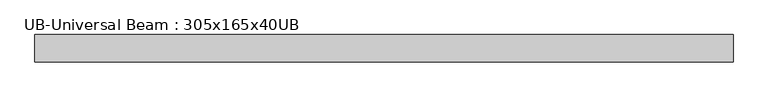
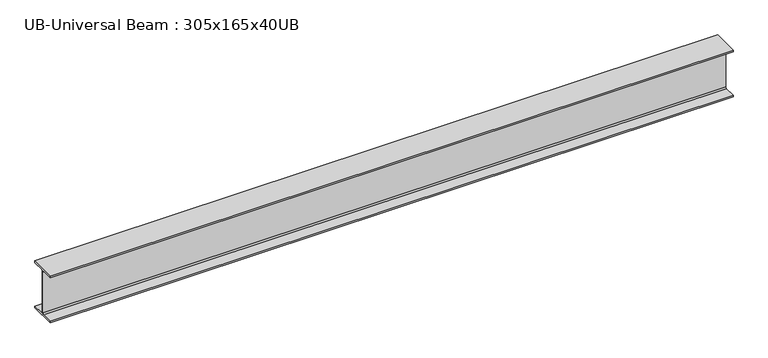
"""IFC4 building model written with IfcOpenShell, lengths in millimetres: beam geometry, UB-Universal Beam : 305x165x40UB."""

from ifc_helpers import new_model, si_unit, point, frame, frame_2d, origin, place, context, project, spatial, polyline, circle_curve, trimmed, segment, composite_curve, outline, extrude, source, transform, mapped, element, save


def ub_universal_beam_305x165x40ub_6487f4a2(model_context):
    return source(origin(), model_context, "Body", "SweptSolid", [
        extrude(outline(composite_curve([segment(polyline([(82.5, -141.5), (82.5, -151.7), (-82.5, -151.7), (-82.5, -141.5), (-11.9, -141.5)]), True, "CONTINUOUS"), segment(trimmed(circle_curve(frame_2d((-11.9, -132.6)), 8.9), [point((-11.9, -141.5))], [point((-3.0, -132.6))], True, "CARTESIAN"), True, "CONTINUOUS"), segment(polyline([(-3.0, -132.6), (-3.0, 132.6)]), True, "CONTINUOUS"), segment(trimmed(circle_curve(frame_2d((-11.9, 132.6)), 8.9), [point((-3.0, 132.6))], [point((-11.9, 141.5))], True, "CARTESIAN"), True, "CONTINUOUS"), segment(polyline([(-11.9, 141.5), (-82.5, 141.5), (-82.5, 151.7), (82.5, 151.7), (82.5, 141.5), (11.9, 141.5)]), True, "CONTINUOUS"), segment(trimmed(circle_curve(frame_2d((11.9, 132.6)), 8.9), [point((11.9, 141.5))], [point((3.0, 132.6))], True, "CARTESIAN"), True, "CONTINUOUS"), segment(polyline([(3.0, 132.6), (3.0, -132.6)]), True, "CONTINUOUS"), segment(trimmed(circle_curve(frame_2d((11.9, -132.6)), 8.9), [point((3.0, -132.6))], [point((11.9, -141.5))], True, "CARTESIAN"), True, "CONTINUOUS"), segment(polyline([(11.9, -141.5), (82.5, -141.5)]), True, "CONTINUOUS")], self_intersect=False)), frame((-2102.9250001, 0.0, 0.0), z_axis=(1.0, 0.0, 0.0), x_axis=(0.0, 1.0, 0.0)), (0.0, 0.0, 1.0), 4205.8500001),
    ])


if __name__ == "__main__":
    model = new_model("IFC4")
    model_context = context("Model", 3, world=origin())
    ifc_project = project(units=[si_unit("LENGTHUNIT", "METRE", prefix="MILLI")], contexts=[model_context])
    site = spatial("IfcSite", under=ifc_project)
    building = spatial("IfcBuilding", under=site)
    placement = place(None, origin())
    ub_universal_beam_305x165x40ub_shape = ub_universal_beam_305x165x40ub_6487f4a2(model_context)
    element("IfcBeam", 1, ObjectType="UB-Universal Beam : 305x165x40UB", at=placement, inside=building, context=model_context, shape_type="MappedRepresentation", body=[
        mapped(ub_universal_beam_305x165x40ub_shape, transform((0.0, 0.0, 0.0), x_axis=(1.0, 0.0, 0.0), y_axis=(0.0, 1.0, 0.0), z_axis=(0.0, 0.0, 1.0))),
    ])
    save(model, "model.ifc")
